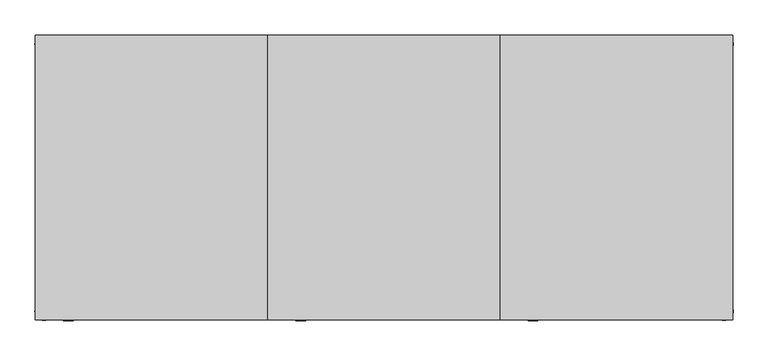
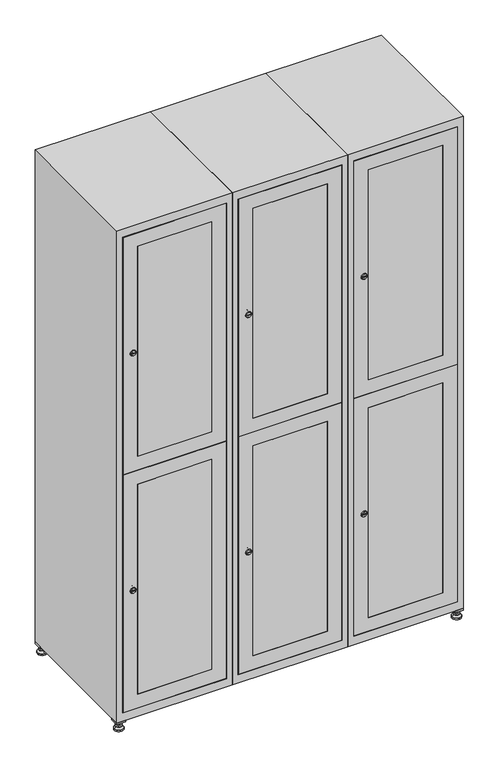
"""IFC4 building model written with IfcOpenShell, lengths in millimetres: furniture geometry."""

from ifc_helpers import new_model, si_unit, point, frame, frame_2d, origin, origin_with_axes, place, context, project, spatial, polyline, circle_curve, trimmed, segment, composite_curve, outline, extrude, faceted_brep, source, transform, mapped, element, save
from ifc_brep_helpers import plane_surface, revolved_surface, advanced_brep


def furniture_16b3cb10(model_context):
    return source(origin(), model_context, "Body", "SolidModel", [
        extrude(outline(polyline([(1000.0, 245.0), (1000.0, 215.0), (970.0, 215.0), (970.0, 245.0), (1000.0, 245.0)]), holes=[polyline([(998.0, 243.0), (972.0, 243.0), (972.0, 217.0), (998.0, 217.0), (998.0, 243.0)])]), frame((0.0, 0.0, 28.5), z_axis=(0.0, 0.0, 1.0), x_axis=(1.0, 0.0, 0.0)), (0.0, 0.0, 1.0), 6.5),
        extrude(outline(polyline([(970.0, -245.0), (970.0, -215.0), (1000.0, -215.0), (1000.0, -245.0), (970.0, -245.0)]), holes=[polyline([(972.0, -243.0), (998.0, -243.0), (998.0, -217.0), (972.0, -217.0), (972.0, -243.0)])]), frame((0.0, 0.0, 28.5), z_axis=(0.0, 0.0, 1.0), x_axis=(1.0, 0.0, 0.0)), (0.0, 0.0, 1.0), 6.5),
        extrude(outline(polyline([(-170.0, 245.0), (-170.0, 215.0), (-200.0, 215.0), (-200.0, 245.0), (-170.0, 245.0)]), holes=[polyline([(-172.0, 243.0), (-198.0, 243.0), (-198.0, 217.0), (-172.0, 217.0), (-172.0, 243.0)])]), frame((0.0, 0.0, 28.5), z_axis=(0.0, 0.0, 1.0), x_axis=(1.0, 0.0, 0.0)), (0.0, 0.0, 1.0), 6.5),
        extrude(outline(polyline([(-170.0, -215.0), (-170.0, -245.0), (-200.0, -245.0), (-200.0, -215.0), (-170.0, -215.0)]), holes=[polyline([(-198.0, -243.0), (-172.0, -243.0), (-172.0, -217.0), (-198.0, -217.0), (-198.0, -243.0)])]), frame((0.0, 0.0, 28.5), z_axis=(0.0, 0.0, 1.0), x_axis=(1.0, 0.0, 0.0)), (0.0, 0.0, 1.0), 6.5),
        extrude(outline(composite_curve([segment(trimmed(circle_curve(frame_2d((-185.0, 230.0)), 5.0), [point((-180.0, 230.0))], [point((-190.0, 230.0))], False, "CARTESIAN"), True, "CONTINUOUS"), segment(trimmed(circle_curve(frame_2d((-185.0, 230.0)), 5.0), [point((-190.0, 230.0))], [point((-180.0, 230.0))], False, "CARTESIAN"), True, "CONTINUOUS")], self_intersect=False)), frame((0.0, 0.0, 19.6), z_axis=(0.0, 0.0, 1.0), x_axis=(1.0, 0.0, 0.0)), (0.0, 0.0, 1.0), 15.4),
        extrude(outline(composite_curve([segment(trimmed(circle_curve(frame_2d((-185.0, -230.0)), 5.0), [point((-180.0, -230.0))], [point((-190.0, -230.0))], False, "CARTESIAN"), True, "CONTINUOUS"), segment(trimmed(circle_curve(frame_2d((-185.0, -230.0)), 5.0), [point((-190.0, -230.0))], [point((-180.0, -230.0))], False, "CARTESIAN"), True, "CONTINUOUS")], self_intersect=False)), frame((0.0, 0.0, 19.6), z_axis=(0.0, 0.0, 1.0), x_axis=(1.0, 0.0, 0.0)), (0.0, 0.0, 1.0), 15.4),
        extrude(outline(composite_curve([segment(trimmed(circle_curve(frame_2d((985.0, 230.0)), 5.0), [point((990.0, 230.0))], [point((980.0, 230.0))], False, "CARTESIAN"), True, "CONTINUOUS"), segment(trimmed(circle_curve(frame_2d((985.0, 230.0)), 5.0), [point((980.0, 230.0))], [point((990.0, 230.0))], False, "CARTESIAN"), True, "CONTINUOUS")], self_intersect=False)), frame((0.0, 0.0, 19.6), z_axis=(0.0, 0.0, 1.0), x_axis=(1.0, 0.0, 0.0)), (0.0, 0.0, 1.0), 15.4),
        extrude(outline(polyline([(973.4529946, 230.0), (979.2264973, 240.0), (990.7735027, 240.0), (996.5470054, 230.0), (990.7735027, 220.0), (979.2264973, 220.0), (973.4529946, 230.0)])), frame((0.0, 0.0, 13.6), z_axis=(0.0, 0.0, 1.0), x_axis=(1.0, 0.0, 0.0)), (0.0, 0.0, 1.0), 6.0),
        extrude(outline(composite_curve([segment(trimmed(circle_curve(frame_2d((985.0, -230.0)), 5.0), [point((990.0, -230.0))], [point((980.0, -230.0))], False, "CARTESIAN"), True, "CONTINUOUS"), segment(trimmed(circle_curve(frame_2d((985.0, -230.0)), 5.0), [point((980.0, -230.0))], [point((990.0, -230.0))], False, "CARTESIAN"), True, "CONTINUOUS")], self_intersect=False)), frame((0.0, 0.0, 19.6), z_axis=(0.0, 0.0, 1.0), x_axis=(1.0, 0.0, 0.0)), (0.0, 0.0, 1.0), 15.4),
        extrude(outline(polyline([(973.4529946, -230.0), (979.2264973, -220.0), (990.7735027, -220.0), (996.5470054, -230.0), (990.7735027, -240.0), (979.2264973, -240.0), (973.4529946, -230.0)])), frame((0.0, 0.0, 13.6), z_axis=(0.0, 0.0, 1.0), x_axis=(1.0, 0.0, 0.0)), (0.0, 0.0, 1.0), 6.0),
        extrude(outline(composite_curve([segment(trimmed(circle_curve(frame_2d((985.0, 230.0)), 5.0), [point((990.0, 230.0))], [point((980.0, 230.0))], False, "CARTESIAN"), True, "CONTINUOUS"), segment(trimmed(circle_curve(frame_2d((985.0, 230.0)), 5.0), [point((980.0, 230.0))], [point((990.0, 230.0))], False, "CARTESIAN"), True, "CONTINUOUS")], self_intersect=False)), frame((0.0, 0.0, 12.1), z_axis=(0.0, 0.0, 1.0), x_axis=(1.0, 0.0, 0.0)), (0.0, 0.0, 1.0), 1.5),
        extrude(outline(composite_curve([segment(trimmed(circle_curve(frame_2d((985.0, -230.0)), 5.0), [point((990.0, -230.0))], [point((980.0, -230.0))], False, "CARTESIAN"), True, "CONTINUOUS"), segment(trimmed(circle_curve(frame_2d((985.0, -230.0)), 5.0), [point((980.0, -230.0))], [point((990.0, -230.0))], False, "CARTESIAN"), True, "CONTINUOUS")], self_intersect=False)), frame((0.0, 0.0, 12.1), z_axis=(0.0, 0.0, 1.0), x_axis=(1.0, 0.0, 0.0)), (0.0, 0.0, 1.0), 1.5),
        extrude(outline(polyline([(-196.5470054, 230.0), (-190.7735027, 240.0), (-179.2264973, 240.0), (-173.4529946, 230.0), (-179.2264973, 220.0), (-190.7735027, 220.0), (-196.5470054, 230.0)])), frame((0.0, 0.0, 13.6), z_axis=(0.0, 0.0, 1.0), x_axis=(1.0, 0.0, 0.0)), (0.0, 0.0, 1.0), 6.0),
        extrude(outline(polyline([(-196.5470054, -230.0), (-190.7735027, -220.0), (-179.2264973, -220.0), (-173.4529946, -230.0), (-179.2264973, -240.0), (-190.7735027, -240.0), (-196.5470054, -230.0)])), frame((0.0, 0.0, 13.6), z_axis=(0.0, 0.0, 1.0), x_axis=(1.0, 0.0, 0.0)), (0.0, 0.0, 1.0), 6.0),
        extrude(outline(composite_curve([segment(trimmed(circle_curve(frame_2d((-185.0, 230.0)), 5.0), [point((-185.0, 235.0))], [point((-185.0, 225.0))], False, "CARTESIAN"), True, "CONTINUOUS"), segment(trimmed(circle_curve(frame_2d((-185.0, 230.0)), 5.0), [point((-185.0, 225.0))], [point((-185.0, 235.0))], False, "CARTESIAN"), True, "CONTINUOUS")], self_intersect=False)), frame((0.0, 0.0, 12.1), z_axis=(0.0, 0.0, 1.0), x_axis=(1.0, 0.0, 0.0)), (0.0, 0.0, 1.0), 1.5),
        extrude(outline(composite_curve([segment(trimmed(circle_curve(frame_2d((-185.0, -230.0)), 5.0), [point((-180.0, -230.0))], [point((-190.0, -230.0))], False, "CARTESIAN"), True, "CONTINUOUS"), segment(trimmed(circle_curve(frame_2d((-185.0, -230.0)), 5.0), [point((-190.0, -230.0))], [point((-180.0, -230.0))], False, "CARTESIAN"), True, "CONTINUOUS")], self_intersect=False)), frame((0.0, 0.0, 12.1), z_axis=(0.0, 0.0, 1.0), x_axis=(1.0, 0.0, 0.0)), (0.0, 0.0, 1.0), 1.5),
        extrude(outline(composite_curve([segment(trimmed(circle_curve(frame_2d((985.0, 230.0)), 15.75), [point((1000.75, 230.0))], [point((969.25, 230.0))], False, "CARTESIAN"), True, "CONTINUOUS"), segment(trimmed(circle_curve(frame_2d((985.0, 230.0)), 15.75), [point((969.25, 230.0))], [point((1000.75, 230.0))], False, "CARTESIAN"), True, "CONTINUOUS")], self_intersect=False)), origin_with_axes(), (0.0, 0.0, 1.0), 5.1),
        extrude(outline(composite_curve([segment(trimmed(circle_curve(frame_2d((985.0, -230.0)), 15.75), [point((985.0, -214.25))], [point((985.0, -245.75))], False, "CARTESIAN"), True, "CONTINUOUS"), segment(trimmed(circle_curve(frame_2d((985.0, -230.0)), 15.75), [point((985.0, -245.75))], [point((985.0, -214.25))], False, "CARTESIAN"), True, "CONTINUOUS")], self_intersect=False)), origin_with_axes(), (0.0, 0.0, 1.0), 5.1),
        extrude(outline(composite_curve([segment(trimmed(circle_curve(frame_2d((-185.0, -230.0)), 15.75), [point((-169.25, -230.0))], [point((-200.75, -230.0))], False, "CARTESIAN"), True, "CONTINUOUS"), segment(trimmed(circle_curve(frame_2d((-185.0, -230.0)), 15.75), [point((-200.75, -230.0))], [point((-169.25, -230.0))], False, "CARTESIAN"), True, "CONTINUOUS")], self_intersect=False)), origin_with_axes(), (0.0, 0.0, 1.0), 5.1),
        extrude(outline(composite_curve([segment(trimmed(circle_curve(frame_2d((-185.0, 230.0)), 15.75), [point((-169.25, 230.0))], [point((-200.75, 230.0))], False, "CARTESIAN"), True, "CONTINUOUS"), segment(trimmed(circle_curve(frame_2d((-185.0, 230.0)), 15.75), [point((-200.75, 230.0))], [point((-169.25, 230.0))], False, "CARTESIAN"), True, "CONTINUOUS")], self_intersect=False)), origin_with_axes(), (0.0, 0.0, 1.0), 5.1),
        advanced_brep(
        [(-185.0, 245.75, 5.1), (-185.0, 214.25, 5.1), (-185.0, 239.5, 12.1), (-185.0, 220.5, 12.1)],
        [
            (0, 1, circle_curve(frame((-185.0, 230.0, 5.1), z_axis=(0.0, 0.0, -1.0), x_axis=(0.0, 1.0, 0.0)), 15.75)),
            (1, 0, circle_curve(frame((-185.0, 230.0, 5.1), z_axis=(0.0, 0.0, -1.0), x_axis=(0.0, -1.0, 0.0)), 15.75)),
            (2, 3, circle_curve(frame((-185.0, 230.0, 12.1), z_axis=(0.0, 0.0, 1.0), x_axis=(0.0, -1.0, 0.0)), 9.5)),
            (3, 2, circle_curve(frame((-185.0, 230.0, 12.1), z_axis=(0.0, 0.0, 1.0), x_axis=(0.0, 1.0, 0.0)), 9.5)),
            (3, 1),
            (0, 2),
        ],
        [
            plane_surface(frame((-185.0, 230.0, 5.1), z_axis=(0.0, 0.0, -1.0), x_axis=(1.0, 0.0, 0.0))),
            plane_surface(frame((-185.0, 230.0, 12.1), z_axis=(0.0, 0.0, 1.0), x_axis=(1.0, 0.0, 0.0))),
            revolved_surface(polyline([(-185.0, 220.5, 12.099999999999998), (-185.0, 214.25, 5.099999999999998)]), (-185.0, 230.0, 22.74), (0.0, 0.0, -1.0)),
            revolved_surface(polyline([(-185.0, 239.5, 12.099999999999998), (-185.0, 245.75, 5.099999999999998)]), (-185.0, 230.0, 22.74), (0.0, 0.0, -1.0)),
        ],
        [
            (0, [[1, 2]]),
            (1, [[3, 4]]),
            (2, [[-4, 5, -1, 6]]),
            (3, [[-3, -6, -2, -5]]),
        ],
    ),
        advanced_brep(
        [(985.0, 245.75, 5.1), (985.0, 214.25, 5.1), (985.0, 239.5, 12.1), (985.0, 220.5, 12.1)],
        [
            (0, 1, circle_curve(frame((985.0, 230.0, 5.1), z_axis=(0.0, 0.0, -1.0), x_axis=(0.0, 1.0, 0.0)), 15.75)),
            (1, 0, circle_curve(frame((985.0, 230.0, 5.1), z_axis=(0.0, 0.0, -1.0), x_axis=(0.0, -1.0, 0.0)), 15.75)),
            (2, 3, circle_curve(frame((985.0, 230.0, 12.1), z_axis=(0.0, 0.0, 1.0), x_axis=(0.0, -1.0, 0.0)), 9.5)),
            (3, 2, circle_curve(frame((985.0, 230.0, 12.1), z_axis=(0.0, 0.0, 1.0), x_axis=(0.0, 1.0, 0.0)), 9.5)),
            (3, 1),
            (0, 2),
        ],
        [
            plane_surface(frame((985.0, 230.0, 5.1), z_axis=(0.0, 0.0, -1.0), x_axis=(1.0, 0.0, 0.0))),
            plane_surface(frame((985.0, 230.0, 12.1), z_axis=(0.0, 0.0, 1.0), x_axis=(1.0, 0.0, 0.0))),
            revolved_surface(polyline([(985.0, 220.5, 12.099999999999998), (985.0, 214.25, 5.099999999999998)]), (985.0, 230.0, 22.74), (0.0, 0.0, -1.0)),
            revolved_surface(polyline([(985.0, 239.5, 12.099999999999998), (985.0, 245.75, 5.099999999999998)]), (985.0, 230.0, 22.74), (0.0, 0.0, -1.0)),
        ],
        [
            (0, [[1, 2]]),
            (1, [[3, 4]]),
            (2, [[-4, 5, -1, 6]]),
            (3, [[-3, -6, -2, -5]]),
        ],
    ),
        advanced_brep(
        [(994.5, -230.0, 12.1), (975.5, -230.0, 12.1), (1000.75, -230.0, 5.1), (969.25, -230.0, 5.1)],
        [
            (0, 1, circle_curve(frame((985.0, -230.0, 12.1), z_axis=(0.0, 0.0, 1.0), x_axis=(1.0, 0.0, 0.0)), 9.5)),
            (1, 0, circle_curve(frame((985.0, -230.0, 12.1), z_axis=(0.0, 0.0, 1.0), x_axis=(-1.0, 0.0, 0.0)), 9.5)),
            (2, 3, circle_curve(frame((985.0, -230.0, 5.1), z_axis=(0.0, 0.0, -1.0), x_axis=(-1.0, 0.0, 0.0)), 15.75)),
            (3, 2, circle_curve(frame((985.0, -230.0, 5.1), z_axis=(0.0, 0.0, -1.0), x_axis=(1.0, 0.0, 0.0)), 15.75)),
            (3, 1),
            (0, 2),
        ],
        [
            plane_surface(frame((985.0, -230.0, 12.1), z_axis=(0.0, 0.0, 1.0), x_axis=(0.0, 1.0, 0.0))),
            plane_surface(frame((985.0, -230.0, 5.1), z_axis=(0.0, 0.0, -1.0), x_axis=(0.0, 1.0, 0.0))),
            revolved_surface(polyline([(994.5, -230.0, 12.099999999999998), (1000.75, -230.0, 5.099999999999998)]), (985.0, -230.0, 22.74), (0.0, 0.0, -1.0)),
            revolved_surface(polyline([(975.5, -230.0, 12.099999999999998), (969.25, -230.0, 5.099999999999998)]), (985.0, -230.0, 22.74), (0.0, 0.0, -1.0)),
        ],
        [
            (0, [[1, 2]]),
            (1, [[3, 4]]),
            (2, [[-4, 5, -1, 6]]),
            (3, [[-3, -6, -2, -5]]),
        ],
    ),
        advanced_brep(
        [(-175.5, -230.0, 12.1), (-194.5, -230.0, 12.1), (-169.25, -230.0, 5.1), (-200.75, -230.0, 5.1)],
        [
            (0, 1, circle_curve(frame((-185.0, -230.0, 12.1), z_axis=(0.0, 0.0, 1.0), x_axis=(1.0, 0.0, 0.0)), 9.5)),
            (1, 0, circle_curve(frame((-185.0, -230.0, 12.1), z_axis=(0.0, 0.0, 1.0), x_axis=(-1.0, 0.0, 0.0)), 9.5)),
            (2, 3, circle_curve(frame((-185.0, -230.0, 5.1), z_axis=(0.0, 0.0, -1.0), x_axis=(-1.0, 0.0, 0.0)), 15.75)),
            (3, 2, circle_curve(frame((-185.0, -230.0, 5.1), z_axis=(0.0, 0.0, -1.0), x_axis=(1.0, 0.0, 0.0)), 15.75)),
            (3, 1),
            (0, 2),
        ],
        [
            plane_surface(frame((-185.0, -230.0, 12.1), z_axis=(0.0, 0.0, 1.0), x_axis=(0.0, 1.0, 0.0))),
            plane_surface(frame((-185.0, -230.0, 5.1), z_axis=(0.0, 0.0, -1.0), x_axis=(0.0, 1.0, 0.0))),
            revolved_surface(polyline([(-175.5, -230.0, 12.099999999999998), (-169.25, -230.0, 5.099999999999998)]), (-185.0, -230.0, 22.74), (0.0, 0.0, -1.0)),
            revolved_surface(polyline([(-194.5, -230.0, 12.099999999999998), (-200.75, -230.0, 5.099999999999998)]), (-185.0, -230.0, 22.74), (0.0, 0.0, -1.0)),
        ],
        [
            (0, [[1, 2]]),
            (1, [[3, 4]]),
            (2, [[-4, 5, -1, 6]]),
            (3, [[-3, -6, -2, -5]]),
        ],
    ),
        extrude(outline(composite_curve([segment(trimmed(circle_curve(frame_2d((1369.4, 629.6010534)), 7.0), [point((1376.4, 629.6010534))], [point((1362.4, 629.6010534))], False, "CARTESIAN"), True, "CONTINUOUS"), segment(polyline([(1362.4, 629.6010534), (1362.4, 657.6010534)]), True, "CONTINUOUS"), segment(trimmed(circle_curve(frame_2d((1369.4, 657.6010534)), 7.0), [point((1362.4, 657.6010534))], [point((1376.4, 657.6010534))], False, "CARTESIAN"), True, "CONTINUOUS"), segment(polyline([(1376.4, 657.6010534), (1376.4, 629.6010534)]), True, "CONTINUOUS")], self_intersect=False)), frame((0.0, -227.0, 0.0), z_axis=(0.0, 1.0, 0.0), x_axis=(0.0, 0.0, 1.0)), (0.0, 0.0, 1.0), 2.0),
        advanced_brep(
        [(664.9, -247.2, 1369.4), (647.9, -247.2, 1369.4), (651.4, -247.2, 1368.15), (651.4, -247.2, 1370.65), (661.4, -247.2, 1370.65), (661.4, -247.2, 1368.15), (666.9, -245.0, 1369.4), (645.9, -245.0, 1369.4), (651.4, -245.0, 1370.65), (651.4, -245.0, 1368.15), (661.4, -245.0, 1368.15), (661.4, -245.0, 1370.65)],
        [
            (0, 1, circle_curve(frame((656.4, -247.2, 1369.4), z_axis=(0.0, -1.0, 0.0), x_axis=(1.0, 0.0, 0.0)), 8.5)),
            (1, 0, circle_curve(frame((656.4, -247.2, 1369.4), z_axis=(0.0, -1.0, 0.0), x_axis=(-1.0, 0.0, 0.0)), 8.5)),
            (2, 3),
            (3, 4),
            (4, 5),
            (5, 2),
            (6, 7, circle_curve(frame((656.4, -245.0, 1369.4), z_axis=(0.0, 1.0, 0.0), x_axis=(-1.0, 0.0, 0.0)), 10.5)),
            (7, 6, circle_curve(frame((656.4, -245.0, 1369.4), z_axis=(0.0, 1.0, 0.0), x_axis=(1.0, 0.0, 0.0)), 10.5)),
            (8, 9),
            (9, 10),
            (10, 11),
            (11, 8),
            (0, 6),
            (7, 1),
            (8, 3),
            (2, 9),
            (11, 4),
            (10, 5),
        ],
        [
            plane_surface(frame((656.4, -247.2, 1369.4), z_axis=(0.0, -1.0, 0.0), x_axis=(0.0, 0.0, 1.0))),
            plane_surface(frame((656.4, -245.0, 1369.4), z_axis=(0.0, 1.0, 0.0), x_axis=(0.0, 0.0, 1.0))),
            revolved_surface(polyline([(664.9, -247.2, 1369.4), (666.9, -245.0, 1369.4)]), (656.4, -256.55, 1369.4), (0.0, 1.0, 0.0)),
            revolved_surface(polyline([(647.9, -247.2, 1369.4), (645.9, -245.0, 1369.4)]), (656.4, -256.55, 1369.4), (0.0, 1.0, 0.0)),
            plane_surface(frame((651.4, -245.0, 1368.15), z_axis=(1.0, 0.0, 0.0), x_axis=(0.0, -1.0, 0.0))),
            plane_surface(frame((651.4, -245.0, 1370.65), z_axis=(0.0, 0.0, -1.0), x_axis=(0.0, -1.0, 0.0))),
            plane_surface(frame((661.4, -245.0, 1370.65), z_axis=(-1.0, 0.0, 0.0), x_axis=(0.0, -1.0, 0.0))),
            plane_surface(frame((661.4, -245.0, 1368.15), z_axis=(0.0, 0.0, 1.0), x_axis=(0.0, -1.0, 0.0))),
        ],
        [
            (0, [[1, 2], [3, 4, 5, 6]]),
            (1, [[7, 8], [9, 10, 11, 12]]),
            (2, [[-1, 13, -8, 14]]),
            (3, [[-2, -14, -7, -13]]),
            (4, [[15, -3, 16, -9]]),
            (5, [[-15, -12, 17, -4]]),
            (6, [[-17, -11, 18, -5]]),
            (7, [[-16, -6, -18, -10]]),
        ],
    ),
        extrude(outline(composite_curve([segment(trimmed(circle_curve(frame_2d((500.6, 629.6010534)), 7.0), [point((507.6, 629.6010534))], [point((493.6, 629.6010534))], False, "CARTESIAN"), True, "CONTINUOUS"), segment(polyline([(493.6, 629.6010534), (493.6, 657.6010534)]), True, "CONTINUOUS"), segment(trimmed(circle_curve(frame_2d((500.6, 657.6010534)), 7.0), [point((493.6, 657.6010534))], [point((507.6, 657.6010534))], False, "CARTESIAN"), True, "CONTINUOUS"), segment(polyline([(507.6, 657.6010534), (507.6, 629.6010534)]), True, "CONTINUOUS")], self_intersect=False)), frame((0.0, -227.0, 0.0), z_axis=(0.0, 1.0, 0.0), x_axis=(0.0, 0.0, 1.0)), (0.0, 0.0, 1.0), 2.0),
        advanced_brep(
        [(664.9, -247.2, 500.6), (647.9, -247.2, 500.6), (651.4, -247.2, 499.35), (651.4, -247.2, 501.85), (661.4, -247.2, 501.85), (661.4, -247.2, 499.35), (666.9, -245.0, 500.6), (645.9, -245.0, 500.6), (651.4, -245.0, 501.85), (651.4, -245.0, 499.35), (661.4, -245.0, 499.35), (661.4, -245.0, 501.85)],
        [
            (0, 1, circle_curve(frame((656.4, -247.2, 500.6), z_axis=(0.0, -1.0, 0.0), x_axis=(1.0, 0.0, 0.0)), 8.5)),
            (1, 0, circle_curve(frame((656.4, -247.2, 500.6), z_axis=(0.0, -1.0, 0.0), x_axis=(-1.0, 0.0, 0.0)), 8.5)),
            (2, 3),
            (3, 4),
            (4, 5),
            (5, 2),
            (6, 7, circle_curve(frame((656.4, -245.0, 500.6), z_axis=(0.0, 1.0, 0.0), x_axis=(-1.0, 0.0, 0.0)), 10.5)),
            (7, 6, circle_curve(frame((656.4, -245.0, 500.6), z_axis=(0.0, 1.0, 0.0), x_axis=(1.0, 0.0, 0.0)), 10.5)),
            (8, 9),
            (9, 10),
            (10, 11),
            (11, 8),
            (0, 6),
            (7, 1),
            (8, 3),
            (2, 9),
            (11, 4),
            (10, 5),
        ],
        [
            plane_surface(frame((656.4, -247.2, 500.6), z_axis=(0.0, -1.0, 0.0), x_axis=(0.0, 0.0, 1.0))),
            plane_surface(frame((656.4, -245.0, 500.6), z_axis=(0.0, 1.0, 0.0), x_axis=(0.0, 0.0, 1.0))),
            revolved_surface(polyline([(664.9, -247.2, 500.6), (666.9, -245.0, 500.6)]), (656.4, -256.55, 500.6), (0.0, 1.0, 0.0)),
            revolved_surface(polyline([(647.9, -247.2, 500.6), (645.9, -245.0, 500.6)]), (656.4, -256.55, 500.6), (0.0, 1.0, 0.0)),
            plane_surface(frame((651.4, -245.0, 499.35), z_axis=(1.0, 0.0, 0.0), x_axis=(0.0, -1.0, 0.0))),
            plane_surface(frame((651.4, -245.0, 501.85), z_axis=(0.0, 0.0, -1.0), x_axis=(0.0, -1.0, 0.0))),
            plane_surface(frame((661.4, -245.0, 501.85), z_axis=(-1.0, 0.0, 0.0), x_axis=(0.0, -1.0, 0.0))),
            plane_surface(frame((661.4, -245.0, 499.35), z_axis=(0.0, 0.0, 1.0), x_axis=(0.0, -1.0, 0.0))),
        ],
        [
            (0, [[1, 2], [3, 4, 5, 6]]),
            (1, [[7, 8], [9, 10, 11, 12]]),
            (2, [[-1, 13, -8, 14]]),
            (3, [[-2, -14, -7, -13]]),
            (4, [[15, -3, 16, -9]]),
            (5, [[-15, -12, 17, -4]]),
            (6, [[-17, -11, 18, -5]]),
            (7, [[-16, -6, -18, -10]]),
        ],
    ),
        extrude(outline(polyline([(935.5, 978.6), (1803.8, 978.6), (1803.8, 621.4), (935.5, 621.4), (935.5, 978.6)]), holes=[polyline([(1753.8, 671.4), (1753.8, 928.6), (985.5, 928.6), (985.5, 671.4), (1753.8, 671.4)])]), frame((0.0, -245.0, 0.0), z_axis=(0.0, 1.0, 0.0), x_axis=(0.0, 0.0, 1.0)), (0.0, 0.0, 1.0), 18.0),
        extrude(outline(polyline([(934.5, 621.4), (66.2, 621.4), (66.2, 978.6), (934.5, 978.6), (934.5, 621.4)]), holes=[polyline([(116.2, 671.4), (884.5, 671.4), (884.5, 928.6), (116.2, 928.6), (116.2, 671.4)])]), frame((0.0, -245.0, 0.0), z_axis=(0.0, 1.0, 0.0), x_axis=(0.0, 0.0, 1.0)), (0.0, 0.0, 1.0), 18.0),
        extrude(outline(polyline([(928.6, -245.0), (671.4, -245.0), (671.4, -227.0), (928.6, -227.0), (928.6, -245.0)])), frame((0.0, 0.0, 985.5), z_axis=(0.0, 0.0, 1.0), x_axis=(1.0, 0.0, 0.0)), (0.0, 0.0, 1.0), 768.3),
        extrude(outline(polyline([(928.6, -245.0), (671.4, -245.0), (671.4, -227.0), (928.6, -227.0), (928.6, -245.0)])), frame((0.0, 0.0, 116.2), z_axis=(0.0, 0.0, 1.0), x_axis=(1.0, 0.0, 0.0)), (0.0, 0.0, 1.0), 768.3),
        extrude(outline(polyline([(979.6, 242.0), (979.6, -227.0), (620.4, -227.0), (620.4, 242.0), (979.6, 242.0)])), frame((0.0, 0.0, 924.8), z_axis=(0.0, 0.0, 1.0), x_axis=(1.0, 0.0, 0.0)), (0.0, 0.0, 1.0), 20.4),
        faceted_brep([(1000.0, -245.0, 35.0), (1000.0, -245.0, 1835.0), (600.0, -245.0, 1835.0), (600.0, -245.0, 35.0), (979.6, -245.0, 1804.8), (979.6, -245.0, 65.2), (620.4, -245.0, 65.2), (620.4, -245.0, 1804.8), (1000.0, 245.0, 35.0), (600.0, 245.0, 35.0), (1000.0, 245.0, 1835.0), (600.0, 245.0, 1835.0), (979.6, 242.0, 1804.8), (979.6, 242.0, 65.2), (600.0, 245.0, 1804.8), (620.4, 242.0, 1804.8), (620.4, 242.0, 65.2)], [[[0, 1, 2, 3], [4, 5, 6, 7]], [[8, 0, 3, 9]], [[1, 0, 8, 10]], [[1, 10, 11, 2]], [[4, 12, 13, 5]], [[9, 3, 2, 11, 14]], [[10, 8, 9, 14, 11]], [[12, 15, 16, 13]], [[15, 7, 6, 16]], [[4, 7, 15, 12]], [[6, 5, 13, 16]]]),
        extrude(outline(composite_curve([segment(trimmed(circle_curve(frame_2d((1369.4, 229.6010534)), 7.0), [point((1376.4, 229.6010534))], [point((1362.4, 229.6010534))], False, "CARTESIAN"), True, "CONTINUOUS"), segment(polyline([(1362.4, 229.6010534), (1362.4, 257.6010534)]), True, "CONTINUOUS"), segment(trimmed(circle_curve(frame_2d((1369.4, 257.6010534)), 7.0), [point((1362.4, 257.6010534))], [point((1376.4, 257.6010534))], False, "CARTESIAN"), True, "CONTINUOUS"), segment(polyline([(1376.4, 257.6010534), (1376.4, 229.6010534)]), True, "CONTINUOUS")], self_intersect=False)), frame((0.0, -227.0, 0.0), z_axis=(0.0, 1.0, 0.0), x_axis=(0.0, 0.0, 1.0)), (0.0, 0.0, 1.0), 2.0),
        advanced_brep(
        [(264.9, -247.2, 1369.4), (247.9, -247.2, 1369.4), (251.4, -247.2, 1368.15), (251.4, -247.2, 1370.65), (261.4, -247.2, 1370.65), (261.4, -247.2, 1368.15), (266.9, -245.0, 1369.4), (245.9, -245.0, 1369.4), (251.4, -245.0, 1370.65), (251.4, -245.0, 1368.15), (261.4, -245.0, 1368.15), (261.4, -245.0, 1370.65)],
        [
            (0, 1, circle_curve(frame((256.4, -247.2, 1369.4), z_axis=(0.0, -1.0, 0.0), x_axis=(1.0, 0.0, 0.0)), 8.5)),
            (1, 0, circle_curve(frame((256.4, -247.2, 1369.4), z_axis=(0.0, -1.0, 0.0), x_axis=(-1.0, 0.0, 0.0)), 8.5)),
            (2, 3),
            (3, 4),
            (4, 5),
            (5, 2),
            (6, 7, circle_curve(frame((256.4, -245.0, 1369.4), z_axis=(0.0, 1.0, 0.0), x_axis=(-1.0, 0.0, 0.0)), 10.5)),
            (7, 6, circle_curve(frame((256.4, -245.0, 1369.4), z_axis=(0.0, 1.0, 0.0), x_axis=(1.0, 0.0, 0.0)), 10.5)),
            (8, 9),
            (9, 10),
            (10, 11),
            (11, 8),
            (0, 6),
            (7, 1),
            (8, 3),
            (2, 9),
            (11, 4),
            (10, 5),
        ],
        [
            plane_surface(frame((256.4, -247.2, 1369.4), z_axis=(0.0, -1.0, 0.0), x_axis=(0.0, 0.0, 1.0))),
            plane_surface(frame((256.4, -245.0, 1369.4), z_axis=(0.0, 1.0, 0.0), x_axis=(0.0, 0.0, 1.0))),
            revolved_surface(polyline([(264.9, -247.2, 1369.4), (266.9, -245.0, 1369.4)]), (256.4, -256.55, 1369.4), (0.0, 1.0, 0.0)),
            revolved_surface(polyline([(247.89999999999998, -247.2, 1369.4), (245.9, -245.0, 1369.4)]), (256.4, -256.55, 1369.4), (0.0, 1.0, 0.0)),
            plane_surface(frame((251.4, -245.0, 1368.15), z_axis=(1.0, 0.0, 0.0), x_axis=(0.0, -1.0, 0.0))),
            plane_surface(frame((251.4, -245.0, 1370.65), z_axis=(0.0, 0.0, -1.0), x_axis=(0.0, -1.0, 0.0))),
            plane_surface(frame((261.4, -245.0, 1370.65), z_axis=(-1.0, 0.0, 0.0), x_axis=(0.0, -1.0, 0.0))),
            plane_surface(frame((261.4, -245.0, 1368.15), z_axis=(0.0, 0.0, 1.0), x_axis=(0.0, -1.0, 0.0))),
        ],
        [
            (0, [[1, 2], [3, 4, 5, 6]]),
            (1, [[7, 8], [9, 10, 11, 12]]),
            (2, [[-1, 13, -8, 14]]),
            (3, [[-2, -14, -7, -13]]),
            (4, [[15, -3, 16, -9]]),
            (5, [[-15, -12, 17, -4]]),
            (6, [[-17, -11, 18, -5]]),
            (7, [[-16, -6, -18, -10]]),
        ],
    ),
        extrude(outline(composite_curve([segment(trimmed(circle_curve(frame_2d((500.6, 229.6010534)), 7.0), [point((507.6, 229.6010534))], [point((493.6, 229.6010534))], False, "CARTESIAN"), True, "CONTINUOUS"), segment(polyline([(493.6, 229.6010534), (493.6, 257.6010534)]), True, "CONTINUOUS"), segment(trimmed(circle_curve(frame_2d((500.6, 257.6010534)), 7.0), [point((493.6, 257.6010534))], [point((507.6, 257.6010534))], False, "CARTESIAN"), True, "CONTINUOUS"), segment(polyline([(507.6, 257.6010534), (507.6, 229.6010534)]), True, "CONTINUOUS")], self_intersect=False)), frame((0.0, -227.0, 0.0), z_axis=(0.0, 1.0, 0.0), x_axis=(0.0, 0.0, 1.0)), (0.0, 0.0, 1.0), 2.0),
        advanced_brep(
        [(264.9, -247.2, 500.6), (247.9, -247.2, 500.6), (251.4, -247.2, 499.35), (251.4, -247.2, 501.85), (261.4, -247.2, 501.85), (261.4, -247.2, 499.35), (266.9, -245.0, 500.6), (245.9, -245.0, 500.6), (251.4, -245.0, 501.85), (251.4, -245.0, 499.35), (261.4, -245.0, 499.35), (261.4, -245.0, 501.85)],
        [
            (0, 1, circle_curve(frame((256.4, -247.2, 500.6), z_axis=(0.0, -1.0, 0.0), x_axis=(1.0, 0.0, 0.0)), 8.5)),
            (1, 0, circle_curve(frame((256.4, -247.2, 500.6), z_axis=(0.0, -1.0, 0.0), x_axis=(-1.0, 0.0, 0.0)), 8.5)),
            (2, 3),
            (3, 4),
            (4, 5),
            (5, 2),
            (6, 7, circle_curve(frame((256.4, -245.0, 500.6), z_axis=(0.0, 1.0, 0.0), x_axis=(-1.0, 0.0, 0.0)), 10.5)),
            (7, 6, circle_curve(frame((256.4, -245.0, 500.6), z_axis=(0.0, 1.0, 0.0), x_axis=(1.0, 0.0, 0.0)), 10.5)),
            (8, 9),
            (9, 10),
            (10, 11),
            (11, 8),
            (0, 6),
            (7, 1),
            (8, 3),
            (2, 9),
            (11, 4),
            (10, 5),
        ],
        [
            plane_surface(frame((256.4, -247.2, 500.6), z_axis=(0.0, -1.0, 0.0), x_axis=(0.0, 0.0, 1.0))),
            plane_surface(frame((256.4, -245.0, 500.6), z_axis=(0.0, 1.0, 0.0), x_axis=(0.0, 0.0, 1.0))),
            revolved_surface(polyline([(264.9, -247.2, 500.6), (266.9, -245.0, 500.6)]), (256.4, -256.55, 500.6), (0.0, 1.0, 0.0)),
            revolved_surface(polyline([(247.89999999999998, -247.2, 500.6), (245.9, -245.0, 500.6)]), (256.4, -256.55, 500.6), (0.0, 1.0, 0.0)),
            plane_surface(frame((251.4, -245.0, 499.35), z_axis=(1.0, 0.0, 0.0), x_axis=(0.0, -1.0, 0.0))),
            plane_surface(frame((251.4, -245.0, 501.85), z_axis=(0.0, 0.0, -1.0), x_axis=(0.0, -1.0, 0.0))),
            plane_surface(frame((261.4, -245.0, 501.85), z_axis=(-1.0, 0.0, 0.0), x_axis=(0.0, -1.0, 0.0))),
            plane_surface(frame((261.4, -245.0, 499.35), z_axis=(0.0, 0.0, 1.0), x_axis=(0.0, -1.0, 0.0))),
        ],
        [
            (0, [[1, 2], [3, 4, 5, 6]]),
            (1, [[7, 8], [9, 10, 11, 12]]),
            (2, [[-1, 13, -8, 14]]),
            (3, [[-2, -14, -7, -13]]),
            (4, [[15, -3, 16, -9]]),
            (5, [[-15, -12, 17, -4]]),
            (6, [[-17, -11, 18, -5]]),
            (7, [[-16, -6, -18, -10]]),
        ],
    ),
        extrude(outline(polyline([(935.5, 578.6), (1803.8, 578.6), (1803.8, 221.4), (935.5, 221.4), (935.5, 578.6)]), holes=[polyline([(1753.8, 271.4), (1753.8, 528.6), (985.5, 528.6), (985.5, 271.4), (1753.8, 271.4)])]), frame((0.0, -245.0, 0.0), z_axis=(0.0, 1.0, 0.0), x_axis=(0.0, 0.0, 1.0)), (0.0, 0.0, 1.0), 18.0),
        extrude(outline(polyline([(934.5, 221.4), (66.2, 221.4), (66.2, 578.6), (934.5, 578.6), (934.5, 221.4)]), holes=[polyline([(116.2, 271.4), (884.5, 271.4), (884.5, 528.6), (116.2, 528.6), (116.2, 271.4)])]), frame((0.0, -245.0, 0.0), z_axis=(0.0, 1.0, 0.0), x_axis=(0.0, 0.0, 1.0)), (0.0, 0.0, 1.0), 18.0),
        extrude(outline(polyline([(528.6, -245.0), (271.4, -245.0), (271.4, -227.0), (528.6, -227.0), (528.6, -245.0)])), frame((0.0, 0.0, 985.5), z_axis=(0.0, 0.0, 1.0), x_axis=(1.0, 0.0, 0.0)), (0.0, 0.0, 1.0), 768.3),
        extrude(outline(polyline([(528.6, -245.0), (271.4, -245.0), (271.4, -227.0), (528.6, -227.0), (528.6, -245.0)])), frame((0.0, 0.0, 116.2), z_axis=(0.0, 0.0, 1.0), x_axis=(1.0, 0.0, 0.0)), (0.0, 0.0, 1.0), 768.3),
        extrude(outline(polyline([(579.6, 242.0), (579.6, -227.0), (220.4, -227.0), (220.4, 242.0), (579.6, 242.0)])), frame((0.0, 0.0, 924.8), z_axis=(0.0, 0.0, 1.0), x_axis=(1.0, 0.0, 0.0)), (0.0, 0.0, 1.0), 20.4),
        faceted_brep([(600.0, -245.0, 35.0), (600.0, -245.0, 1835.0), (200.0, -245.0, 1835.0), (200.0, -245.0, 35.0), (579.6, -245.0, 1804.8), (579.6, -245.0, 65.2), (220.4, -245.0, 65.2), (220.4, -245.0, 1804.8), (600.0, 245.0, 35.0), (200.0, 245.0, 35.0), (600.0, 245.0, 1835.0), (200.0, 245.0, 1835.0), (579.6, 242.0, 1804.8), (579.6, 242.0, 65.2), (200.0, 245.0, 1804.8), (220.4, 242.0, 1804.8), (220.4, 242.0, 65.2)], [[[0, 1, 2, 3], [4, 5, 6, 7]], [[8, 0, 3, 9]], [[1, 0, 8, 10]], [[1, 10, 11, 2]], [[4, 12, 13, 5]], [[9, 3, 2, 11, 14]], [[10, 8, 9, 14, 11]], [[12, 15, 16, 13]], [[15, 7, 6, 16]], [[4, 7, 15, 12]], [[6, 5, 13, 16]]]),
        extrude(outline(composite_curve([segment(trimmed(circle_curve(frame_2d((1369.4, -170.3989466)), 7.0), [point((1376.4, -170.3989466))], [point((1362.4, -170.3989466))], False, "CARTESIAN"), True, "CONTINUOUS"), segment(polyline([(1362.4, -170.3989466), (1362.4, -142.3989466)]), True, "CONTINUOUS"), segment(trimmed(circle_curve(frame_2d((1369.4, -142.3989466)), 7.0), [point((1362.4, -142.3989466))], [point((1376.4, -142.3989466))], False, "CARTESIAN"), True, "CONTINUOUS"), segment(polyline([(1376.4, -142.3989466), (1376.4, -170.3989466)]), True, "CONTINUOUS")], self_intersect=False)), frame((0.0, -227.0, 0.0), z_axis=(0.0, 1.0, 0.0), x_axis=(0.0, 0.0, 1.0)), (0.0, 0.0, 1.0), 2.0),
        advanced_brep(
        [(-135.1, -247.2, 1369.4), (-152.1, -247.2, 1369.4), (-148.6, -247.2, 1368.15), (-148.6, -247.2, 1370.65), (-138.6, -247.2, 1370.65), (-138.6, -247.2, 1368.15), (-133.1, -245.0, 1369.4), (-154.1, -245.0, 1369.4), (-148.6, -245.0, 1370.65), (-148.6, -245.0, 1368.15), (-138.6, -245.0, 1368.15), (-138.6, -245.0, 1370.65)],
        [
            (0, 1, circle_curve(frame((-143.6, -247.2, 1369.4), z_axis=(0.0, -1.0, 0.0), x_axis=(1.0, 0.0, 0.0)), 8.5)),
            (1, 0, circle_curve(frame((-143.6, -247.2, 1369.4), z_axis=(0.0, -1.0, 0.0), x_axis=(-1.0, 0.0, 0.0)), 8.5)),
            (2, 3),
            (3, 4),
            (4, 5),
            (5, 2),
            (6, 7, circle_curve(frame((-143.6, -245.0, 1369.4), z_axis=(0.0, 1.0, 0.0), x_axis=(-1.0, 0.0, 0.0)), 10.5)),
            (7, 6, circle_curve(frame((-143.6, -245.0, 1369.4), z_axis=(0.0, 1.0, 0.0), x_axis=(1.0, 0.0, 0.0)), 10.5)),
            (8, 9),
            (9, 10),
            (10, 11),
            (11, 8),
            (0, 6),
            (7, 1),
            (8, 3),
            (2, 9),
            (11, 4),
            (10, 5),
        ],
        [
            plane_surface(frame((-143.6, -247.2, 1369.4), z_axis=(0.0, -1.0, 0.0), x_axis=(0.0, 0.0, 1.0))),
            plane_surface(frame((-143.6, -245.0, 1369.4), z_axis=(0.0, 1.0, 0.0), x_axis=(0.0, 0.0, 1.0))),
            revolved_surface(polyline([(-135.1, -247.2, 1369.4), (-133.1, -245.0, 1369.4)]), (-143.6, -256.55, 1369.4), (0.0, 1.0, 0.0)),
            revolved_surface(polyline([(-152.1, -247.2, 1369.4), (-154.1, -245.0, 1369.4)]), (-143.6, -256.55, 1369.4), (0.0, 1.0, 0.0)),
            plane_surface(frame((-148.6, -245.0, 1368.15), z_axis=(1.0, 0.0, 0.0), x_axis=(0.0, -1.0, 0.0))),
            plane_surface(frame((-148.6, -245.0, 1370.65), z_axis=(0.0, 0.0, -1.0), x_axis=(0.0, -1.0, 0.0))),
            plane_surface(frame((-138.6, -245.0, 1370.65), z_axis=(-1.0, 0.0, 0.0), x_axis=(0.0, -1.0, 0.0))),
            plane_surface(frame((-138.6, -245.0, 1368.15), z_axis=(0.0, 0.0, 1.0), x_axis=(0.0, -1.0, 0.0))),
        ],
        [
            (0, [[1, 2], [3, 4, 5, 6]]),
            (1, [[7, 8], [9, 10, 11, 12]]),
            (2, [[-1, 13, -8, 14]]),
            (3, [[-2, -14, -7, -13]]),
            (4, [[15, -3, 16, -9]]),
            (5, [[-15, -12, 17, -4]]),
            (6, [[-17, -11, 18, -5]]),
            (7, [[-16, -6, -18, -10]]),
        ],
    ),
        extrude(outline(composite_curve([segment(trimmed(circle_curve(frame_2d((500.6, -170.3989466)), 7.0), [point((507.6, -170.3989466))], [point((493.6, -170.3989466))], False, "CARTESIAN"), True, "CONTINUOUS"), segment(polyline([(493.6, -170.3989466), (493.6, -142.3989466)]), True, "CONTINUOUS"), segment(trimmed(circle_curve(frame_2d((500.6, -142.3989466)), 7.0), [point((493.6, -142.3989466))], [point((507.6, -142.3989466))], False, "CARTESIAN"), True, "CONTINUOUS"), segment(polyline([(507.6, -142.3989466), (507.6, -170.3989466)]), True, "CONTINUOUS")], self_intersect=False)), frame((0.0, -227.0, 0.0), z_axis=(0.0, 1.0, 0.0), x_axis=(0.0, 0.0, 1.0)), (0.0, 0.0, 1.0), 2.0),
        advanced_brep(
        [(-135.1, -247.2, 500.6), (-152.1, -247.2, 500.6), (-148.6, -247.2, 499.35), (-148.6, -247.2, 501.85), (-138.6, -247.2, 501.85), (-138.6, -247.2, 499.35), (-133.1, -245.0, 500.6), (-154.1, -245.0, 500.6), (-148.6, -245.0, 501.85), (-148.6, -245.0, 499.35), (-138.6, -245.0, 499.35), (-138.6, -245.0, 501.85)],
        [
            (0, 1, circle_curve(frame((-143.6, -247.2, 500.6), z_axis=(0.0, -1.0, 0.0), x_axis=(1.0, 0.0, 0.0)), 8.5)),
            (1, 0, circle_curve(frame((-143.6, -247.2, 500.6), z_axis=(0.0, -1.0, 0.0), x_axis=(-1.0, 0.0, 0.0)), 8.5)),
            (2, 3),
            (3, 4),
            (4, 5),
            (5, 2),
            (6, 7, circle_curve(frame((-143.6, -245.0, 500.6), z_axis=(0.0, 1.0, 0.0), x_axis=(-1.0, 0.0, 0.0)), 10.5)),
            (7, 6, circle_curve(frame((-143.6, -245.0, 500.6), z_axis=(0.0, 1.0, 0.0), x_axis=(1.0, 0.0, 0.0)), 10.5)),
            (8, 9),
            (9, 10),
            (10, 11),
            (11, 8),
            (0, 6),
            (7, 1),
            (8, 3),
            (2, 9),
            (11, 4),
            (10, 5),
        ],
        [
            plane_surface(frame((-143.6, -247.2, 500.6), z_axis=(0.0, -1.0, 0.0), x_axis=(0.0, 0.0, 1.0))),
            plane_surface(frame((-143.6, -245.0, 500.6), z_axis=(0.0, 1.0, 0.0), x_axis=(0.0, 0.0, 1.0))),
            revolved_surface(polyline([(-135.1, -247.2, 500.6), (-133.1, -245.0, 500.6)]), (-143.6, -256.55, 500.6), (0.0, 1.0, 0.0)),
            revolved_surface(polyline([(-152.1, -247.2, 500.6), (-154.1, -245.0, 500.6)]), (-143.6, -256.55, 500.6), (0.0, 1.0, 0.0)),
            plane_surface(frame((-148.6, -245.0, 499.35), z_axis=(1.0, 0.0, 0.0), x_axis=(0.0, -1.0, 0.0))),
            plane_surface(frame((-148.6, -245.0, 501.85), z_axis=(0.0, 0.0, -1.0), x_axis=(0.0, -1.0, 0.0))),
            plane_surface(frame((-138.6, -245.0, 501.85), z_axis=(-1.0, 0.0, 0.0), x_axis=(0.0, -1.0, 0.0))),
            plane_surface(frame((-138.6, -245.0, 499.35), z_axis=(0.0, 0.0, 1.0), x_axis=(0.0, -1.0, 0.0))),
        ],
        [
            (0, [[1, 2], [3, 4, 5, 6]]),
            (1, [[7, 8], [9, 10, 11, 12]]),
            (2, [[-1, 13, -8, 14]]),
            (3, [[-2, -14, -7, -13]]),
            (4, [[15, -3, 16, -9]]),
            (5, [[-15, -12, 17, -4]]),
            (6, [[-17, -11, 18, -5]]),
            (7, [[-16, -6, -18, -10]]),
        ],
    ),
        extrude(outline(polyline([(935.5, 178.6), (1803.8, 178.6), (1803.8, -178.6), (935.5, -178.6), (935.5, 178.6)]), holes=[polyline([(1753.8, -128.6), (1753.8, 128.6), (985.5, 128.6), (985.5, -128.6), (1753.8, -128.6)])]), frame((0.0, -245.0, 0.0), z_axis=(0.0, 1.0, 0.0), x_axis=(0.0, 0.0, 1.0)), (0.0, 0.0, 1.0), 18.0),
        extrude(outline(polyline([(934.5, -178.6), (66.2, -178.6), (66.2, 178.6), (934.5, 178.6), (934.5, -178.6)]), holes=[polyline([(116.2, -128.6), (884.5, -128.6), (884.5, 128.6), (116.2, 128.6), (116.2, -128.6)])]), frame((0.0, -245.0, 0.0), z_axis=(0.0, 1.0, 0.0), x_axis=(0.0, 0.0, 1.0)), (0.0, 0.0, 1.0), 18.0),
        extrude(outline(polyline([(128.6, -245.0), (-128.6, -245.0), (-128.6, -227.0), (128.6, -227.0), (128.6, -245.0)])), frame((0.0, 0.0, 985.5), z_axis=(0.0, 0.0, 1.0), x_axis=(1.0, 0.0, 0.0)), (0.0, 0.0, 1.0), 768.3),
        extrude(outline(polyline([(128.6, -245.0), (-128.6, -245.0), (-128.6, -227.0), (128.6, -227.0), (128.6, -245.0)])), frame((0.0, 0.0, 116.2), z_axis=(0.0, 0.0, 1.0), x_axis=(1.0, 0.0, 0.0)), (0.0, 0.0, 1.0), 768.3),
        extrude(outline(polyline([(179.6, 242.0), (179.6, -227.0), (-179.6, -227.0), (-179.6, 242.0), (179.6, 242.0)])), frame((0.0, 0.0, 924.8), z_axis=(0.0, 0.0, 1.0), x_axis=(1.0, 0.0, 0.0)), (0.0, 0.0, 1.0), 20.4),
        faceted_brep([(200.0, -245.0, 35.0), (200.0, -245.0, 1835.0), (-200.0, -245.0, 1835.0), (-200.0, -245.0, 35.0), (179.6, -245.0, 1804.8), (179.6, -245.0, 65.2), (-179.6, -245.0, 65.2), (-179.6, -245.0, 1804.8), (200.0, 245.0, 35.0), (-200.0, 245.0, 35.0), (200.0, 245.0, 1835.0), (-200.0, 245.0, 1835.0), (179.6, 242.0, 1804.8), (179.6, 242.0, 65.2), (-200.0, 245.0, 1804.8), (-179.6, 242.0, 1804.8), (-179.6, 242.0, 65.2)], [[[0, 1, 2, 3], [4, 5, 6, 7]], [[8, 0, 3, 9]], [[1, 0, 8, 10]], [[1, 10, 11, 2]], [[4, 12, 13, 5]], [[9, 3, 2, 11, 14]], [[10, 8, 9, 14, 11]], [[12, 15, 16, 13]], [[15, 7, 6, 16]], [[4, 7, 15, 12]], [[6, 5, 13, 16]]]),
    ])


if __name__ == "__main__":
    model = new_model("IFC4")
    model_context = context("Model", 3, world=origin())
    ifc_project = project(units=[si_unit("LENGTHUNIT", "METRE", prefix="MILLI")], contexts=[model_context])
    site = spatial("IfcSite", under=ifc_project)
    building = spatial("IfcBuilding", under=site)
    placement = place(None, origin())
    furniture_shape = furniture_16b3cb10(model_context)
    element("IfcFurniture", 1, at=placement, inside=building, context=model_context, shape_type="MappedRepresentation", body=[
        mapped(furniture_shape, transform((0.0, 0.0, 0.0), x_axis=(1.0, 0.0, 0.0), y_axis=(0.0, 1.0, 0.0), z_axis=(0.0, 0.0, 1.0))),
    ])
    save(model, "model.ifc")
